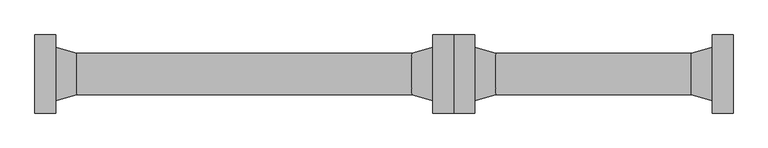
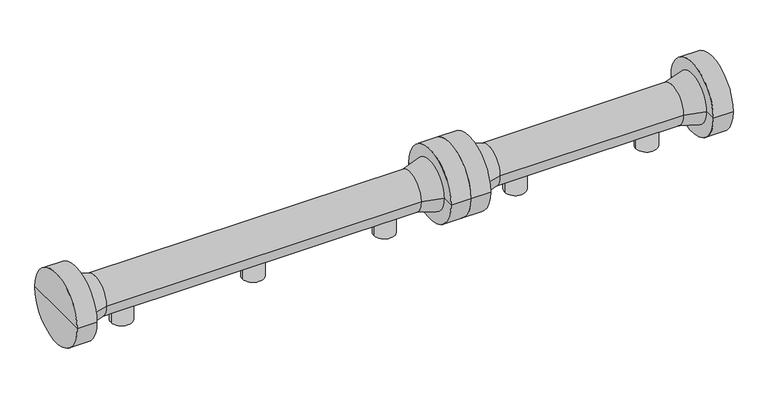
"""IFC4 building model written with IfcOpenShell, lengths in millimetres: proxy geometry."""

import ifcopenshell
import ifcopenshell.guid

model = None  # the IFC model being written
_history = None  # IfcOwnerHistory: only IFC2X3 demands one
_inside = {}  # id of a spatial element -> (the spatial element, [elements in it])
_under = {}  # id of a project, library or spatial element -> (it, [spatial elements below it])
_declared = {}  # id of a project -> (the project, [libraries it declares])
_typed = {}  # id of a type object -> (the type object, [elements of that type])
_made_of = {}  # id of a material, layer set ... -> (it, [elements and type objects made of it])


def new_model(schema):
    """Start an empty IFC model of exactly this schema.

    Asked for "IFC4X3", IfcOpenShell would pick the latest addendum, in which some entities
    have other attributes; the version numbers below select the first issue.
    IFC2X3 requires an IfcOwnerHistory on every rooted entity: one is made here for all.
    """
    global model, _history
    if schema == "IFC4X3":
        model = ifcopenshell.file(schema_version=(4, 3, 0, 0))
    else:
        model = ifcopenshell.file(schema=schema)
    _inside.clear()
    _under.clear()
    _declared.clear()
    _typed.clear()
    _made_of.clear()
    _history = None
    if model.schema == "IFC2X3":
        org = make("IfcOrganization", Name="unknown")
        user = make(
            "IfcPersonAndOrganization",
            ThePerson=make("IfcPerson", FamilyName="unknown"),
            TheOrganization=org,
        )
        app = make(
            "IfcApplication",
            ApplicationDeveloper=org,
            Version="unknown",
            ApplicationFullName="unknown",
            ApplicationIdentifier="unknown",
        )
        _history = make(
            "IfcOwnerHistory",
            OwningUser=user,
            OwningApplication=app,
            ChangeAction="ADDED",
            CreationDate=0,
        )
    return model


def make(cls, **values):
    """One entity of the class cls with the attributes given. An attribute that is None is left unset."""
    return model.create_entity(
        cls, **{name: value for name, value in values.items() if value is not None}
    )


def rooted(cls, **values):
    """An entity with a GlobalId (a new one), such as an element, a storey or a relation."""
    return make(cls, GlobalId=ifcopenshell.guid.new(), OwnerHistory=_history, **values)


def si_unit(unit_type, name, prefix=None):
    """IfcSIUnit, for example si_unit("LENGTHUNIT", "METRE", prefix="MILLI")."""
    return make("IfcSIUnit", UnitType=unit_type, Prefix=prefix, Name=name)


def assignment(units):
    """IfcUnitAssignment: the units of a project."""
    return None if units is None else make("IfcUnitAssignment", Units=units)


def point(xyz):
    """IfcCartesianPoint."""
    return None if xyz is None else make("IfcCartesianPoint", Coordinates=xyz)


def direction(xyz):
    """IfcDirection."""
    return None if xyz is None else make("IfcDirection", DirectionRatios=xyz)


def frame(location, z_axis=None, x_axis=None):
    """IfcAxis2Placement3D, a coordinate frame: its origin and axes. An axis left out is left unset."""
    return make(
        "IfcAxis2Placement3D",
        Location=point(location),
        Axis=direction(z_axis),
        RefDirection=direction(x_axis),
    )


def origin():
    """The frame at (0, 0, 0) with its axes left unset."""
    return frame((0.0, 0.0, 0.0))


def place(relative_to, where):
    """IfcLocalPlacement: puts the frame where relative to a parent placement (None: the world)."""
    return make(
        "IfcLocalPlacement", PlacementRelTo=relative_to, RelativePlacement=where
    )


def context(
    kind, dimensions, precision=None, world=None, true_north=None, identifier=None
):
    """IfcGeometricRepresentationContext, for example the 3D "Model" context."""
    return make(
        "IfcGeometricRepresentationContext",
        ContextIdentifier=identifier,
        ContextType=kind,
        CoordinateSpaceDimension=dimensions,
        Precision=precision,
        WorldCoordinateSystem=world,
        TrueNorth=true_north,
    )


def project(units=None, contexts=None):
    """IfcProject with its units and contexts."""
    return rooted(
        "IfcProject",
        Name="project",
        RepresentationContexts=contexts,
        UnitsInContext=assignment(units),
    )


def spatial(cls, under=None, at=None, **own):
    """A site, building, storey or space (cls), placed at a placement, below another one or the project."""
    s = rooted(cls, ObjectPlacement=at, **own)
    if under is not None:
        _under.setdefault(under.id(), (under, []))[1].append(s)
    return s


def polyline(points):
    """IfcPolyline through the points."""
    return make("IfcPolyline", Points=[point(p) for p in points])


def circle_curve(where, radius):
    """IfcCircle in the frame where."""
    return make("IfcCircle", Position=where, Radius=radius)


def shape(context_of_items, identifier, shape_type, items):
    """IfcShapeRepresentation: the items that make up one representation, for example the "Body"."""
    return make(
        "IfcShapeRepresentation",
        ContextOfItems=context_of_items,
        RepresentationIdentifier=identifier,
        RepresentationType=shape_type,
        Items=items,
    )


def source(mapping_origin, context_of_items, identifier, shape_type, items):
    """IfcRepresentationMap: a shape defined once, which mapped items show again and again."""
    return make(
        "IfcRepresentationMap",
        MappingOrigin=mapping_origin,
        MappedRepresentation=shape(context_of_items, identifier, shape_type, items),
    )


def transform(
    local_origin,
    x_axis=None,
    y_axis=None,
    z_axis=None,
    scale=None,
    scale2=None,
    scale3=None,
    uniform=True,
):
    """IfcCartesianTransformationOperator3D, or its non-uniform kind. x_axis, y_axis, z_axis: its Axis1, 2, 3."""
    if uniform:
        return make(
            "IfcCartesianTransformationOperator3D",
            Axis1=direction(x_axis),
            Axis2=direction(y_axis),
            LocalOrigin=point(local_origin),
            Scale=scale,
            Axis3=direction(z_axis),
        )
    return make(
        "IfcCartesianTransformationOperator3DnonUniform",
        Axis1=direction(x_axis),
        Axis2=direction(y_axis),
        LocalOrigin=point(local_origin),
        Scale=scale,
        Axis3=direction(z_axis),
        Scale2=scale2,
        Scale3=scale3,
    )


def mapped(mapping_source, mapping_target):
    """IfcMappedItem: shows the shape of a source again, moved by a transform."""
    return make(
        "IfcMappedItem", MappingSource=mapping_source, MappingTarget=mapping_target
    )


def made_of(thing, what):
    """Note that an element or type object is made of a material, layer set ...; save() writes the relation."""
    if what is not None:
        _made_of.setdefault(what.id(), (what, []))[1].append(thing)
    return thing


def element(
    cls,
    number,
    at=None,
    inside=None,
    cuts=None,
    type_object=None,
    material=None,
    context=None,
    identifier="Body",
    shape_type=None,
    held_by="IfcProductDefinitionShape",
    body=None,
    shapes=None,
    **own,
):
    """One element of the class cls, such as IfcWall. Its Tag is "e" and its number.

    at: its placement. inside: the storey or other place that contains it. cuts: it is an
    opening in that element (IfcRelVoidsElement). A single representation is given by context,
    identifier, shape_type and body (its items); several are given by shapes. held_by: the class
    of the entity that holds the representations. save() writes the other relations.
    """
    e = rooted(cls, Tag="e%d" % number, ObjectPlacement=at, **own)
    if body is not None:
        shapes = [shape(context, identifier, shape_type, body)]
    if shapes is not None:
        e.Representation = make(held_by, Representations=shapes)
    if inside is not None:
        _inside.setdefault(inside.id(), (inside, []))[1].append(e)
    if cuts is not None:
        rooted(
            "IfcRelVoidsElement", RelatingBuildingElement=cuts, RelatedOpeningElement=e
        )
    if type_object is not None:
        _typed.setdefault(type_object.id(), (type_object, []))[1].append(e)
    return made_of(e, material)


def aggregate(whole, parts):
    """IfcRelAggregates: a whole, such as a stair, and the parts it consists of."""
    return rooted("IfcRelAggregates", RelatingObject=whole, RelatedObjects=parts)


def save(model, path):
    """Write the relations noted so far, then the file.

    IfcRelAggregates (storeys below a building ...), IfcRelContainedInSpatialStructure (elements
    in a storey), IfcRelDefinesByType, IfcRelAssociatesMaterial and IfcRelDeclares: one each for
    every whole, place, type object, material and project.
    """
    for whole, parts in _under.values():
        aggregate(whole, parts)
    for where, things in _inside.values():
        rooted(
            "IfcRelContainedInSpatialStructure",
            RelatedElements=things,
            RelatingStructure=where,
        )
    for kind, things in _typed.values():
        rooted("IfcRelDefinesByType", RelatedObjects=things, RelatingType=kind)
    for what, things in _made_of.values():
        rooted("IfcRelAssociatesMaterial", RelatedObjects=things, RelatingMaterial=what)
    for by, libraries in _declared.values():
        rooted("IfcRelDeclares", RelatingContext=by, RelatedDefinitions=libraries)
    model.write(path)


def plane_surface(at):
    """IfcPlane: the flat surface through the origin of the frame at, square to its z axis."""
    return make("IfcPlane", Position=at)


def cylinder_surface(at, radius):
    """IfcCylindricalSurface: all points at the distance radius from the z axis of the frame at."""
    return make("IfcCylindricalSurface", Position=at, Radius=radius)


def revolved_surface(curve, axis_point, axis_direction):
    """IfcSurfaceOfRevolution: the curve turned about the line through axis_point along axis_direction."""
    return make(
        "IfcSurfaceOfRevolution",
        SweptCurve=make("IfcArbitraryOpenProfileDef", ProfileType="CURVE", Curve=curve),
        AxisPosition=make("IfcAxis1Placement", Location=point(axis_point), Axis=direction(axis_direction)),
    )


def advanced_brep(points, edges, surfaces, faces):
    """IfcAdvancedBrep: a solid bounded by faces that lie on surfaces and meet in shared edges.

    An edge is (start, end): straight between two places in points (the first is 0);
    or (start, end, curve); or (start, end, curve, False) where it runs against its curve.
    A face is (place in surfaces, loops), or (place, loops, False) where it looks against
    its surface's normal. A loop lists edges by number (the first is 1), with a minus sign
    where the edge is run from its end to its start. The first loop is the outer one.
    """
    corners = [point(p) for p in points]
    vertices = [make("IfcVertexPoint", VertexGeometry=c) for c in corners]
    made = []
    for start, end, *more in edges:
        made.append(
            make(
                "IfcEdgeCurve",
                EdgeStart=vertices[start],
                EdgeEnd=vertices[end],
                EdgeGeometry=more[0] if more else make("IfcPolyline", Points=[corners[start], corners[end]]),
                SameSense=more[1] if len(more) > 1 else True,
            )
        )
    hull = []
    for where, loops, *sense in faces:
        bounds = []
        for j, loop in enumerate(loops):
            ring = [make("IfcOrientedEdge", EdgeElement=made[abs(k) - 1], Orientation=k > 0) for k in loop]
            bounds.append(
                make(
                    "IfcFaceOuterBound" if j == 0 else "IfcFaceBound",
                    Bound=make("IfcEdgeLoop", EdgeList=ring),
                    Orientation=True,
                )
            )
        hull.append(make("IfcAdvancedFace", Bounds=bounds, FaceSurface=surfaces[where], SameSense=sense[0] if sense else True))
    return make("IfcAdvancedBrep", Outer=make("IfcClosedShell", CfsFaces=hull))


def specialty_equipment_d092d887(model_context):
    return source(origin(), model_context, "Body", "AdvancedBrep", [
        advanced_brep(
        [(540.0, 0.0, 0.046762), (460.0, 0.0, 0.046762), (460.0, 0.0, 85.241935), (540.0, 0.0, 85.241935), (500.0, 0.0, 0.046762), (500.0, 0.0, 85.241935)],
        [
            (0, 1, circle_curve(frame((500.0, 0.0, 0.046762), z_axis=(0.0, 0.0, 1.0), x_axis=(-1.0, 0.0, 0.0)), 40.0)),
            (1, 2),
            (2, 3, circle_curve(frame((500.0, 0.0, 85.241935), z_axis=(0.0, 0.0, -1.0), x_axis=(-1.0, 0.0, 0.0)), 40.0)),
            (3, 0),
            (1, 0, circle_curve(frame((500.0, 0.0, 0.046762), z_axis=(0.0, 0.0, 1.0), x_axis=(-1.0, 0.0, 0.0)), 40.0)),
            (3, 2, circle_curve(frame((500.0, 0.0, 85.241935), z_axis=(0.0, 0.0, -1.0), x_axis=(-1.0, 0.0, 0.0)), 40.0)),
            (4, 1),
            (0, 4),
            (2, 5),
            (5, 3),
        ],
        [
            cylinder_surface(frame((500.0, 0.0, 1119.5366778), z_axis=(0.0, 0.0, -1.0), x_axis=(-1.0, 0.0, 0.0)), 40.0),
            plane_surface(frame((500.0, 0.0, 0.046762), z_axis=(0.0, 0.0, -1.0), x_axis=(-1.0, 0.0, 0.0))),
            plane_surface(frame((500.0, 0.0, 85.241935), z_axis=(0.0, 0.0, 1.0), x_axis=(-1.0, 0.0, 0.0))),
        ],
        [
            (0, [[1, 2, 3, 4]]),
            (0, [[5, -4, 6, -2]]),
            (1, [[7, -1, 8]]),
            (1, [[-8, -5, -7]]),
            (2, [[-3, 9, 10]]),
            (2, [[-6, -10, -9]]),
        ],
    ),
        advanced_brep(
        [(1040.0, 0.0, 0.046762), (960.0, 0.0, 0.046762), (960.0, 0.0, 85.241935), (1040.0, 0.0, 85.241935), (1000.0, 0.0, 0.046762), (1000.0, 0.0, 85.241935)],
        [
            (0, 1, circle_curve(frame((1000.0, 0.0, 0.046762), z_axis=(0.0, 0.0, 1.0), x_axis=(-1.0, 0.0, 0.0)), 40.0)),
            (1, 2),
            (2, 3, circle_curve(frame((1000.0, 0.0, 85.241935), z_axis=(0.0, 0.0, -1.0), x_axis=(-1.0, 0.0, 0.0)), 40.0)),
            (3, 0),
            (1, 0, circle_curve(frame((1000.0, 0.0, 0.046762), z_axis=(0.0, 0.0, 1.0), x_axis=(-1.0, 0.0, 0.0)), 40.0)),
            (3, 2, circle_curve(frame((1000.0, 0.0, 85.241935), z_axis=(0.0, 0.0, -1.0), x_axis=(-1.0, 0.0, 0.0)), 40.0)),
            (4, 1),
            (0, 4),
            (2, 5),
            (5, 3),
        ],
        [
            cylinder_surface(frame((1000.0, 0.0, 1119.5366778), z_axis=(0.0, 0.0, -1.0), x_axis=(-1.0, 0.0, 0.0)), 40.0),
            plane_surface(frame((1000.0, 0.0, 0.046762), z_axis=(0.0, 0.0, -1.0), x_axis=(-1.0, 0.0, 0.0))),
            plane_surface(frame((1000.0, 0.0, 85.241935), z_axis=(0.0, 0.0, 1.0), x_axis=(-1.0, 0.0, 0.0))),
        ],
        [
            (0, [[1, 2, 3, 4]]),
            (0, [[5, -4, 6, -2]]),
            (1, [[7, -1, 8]]),
            (1, [[-8, -5, -7]]),
            (2, [[-3, 9, 10]]),
            (2, [[-6, -10, -9]]),
        ],
    ),
        advanced_brep(
        [(40.0, 0.0, 0.046762), (-40.0, 0.0, 0.046762), (-40.0, 0.0, 85.241935), (40.0, 0.0, 85.241935), (0.0, 0.0, 0.046762), (0.0, 0.0, 85.241935)],
        [
            (0, 1, circle_curve(frame((0.0, 0.0, 0.046762), z_axis=(0.0, 0.0, 1.0), x_axis=(-1.0, 0.0, 0.0)), 40.0)),
            (1, 2),
            (2, 3, circle_curve(frame((0.0, 0.0, 85.241935), z_axis=(0.0, 0.0, -1.0), x_axis=(-1.0, 0.0, 0.0)), 40.0)),
            (3, 0),
            (1, 0, circle_curve(frame((0.0, 0.0, 0.046762), z_axis=(0.0, 0.0, 1.0), x_axis=(-1.0, 0.0, 0.0)), 40.0)),
            (3, 2, circle_curve(frame((0.0, 0.0, 85.241935), z_axis=(0.0, 0.0, -1.0), x_axis=(-1.0, 0.0, 0.0)), 40.0)),
            (4, 1),
            (0, 4),
            (2, 5),
            (5, 3),
        ],
        [
            cylinder_surface(frame((0.0, 0.0, 1119.5366778), z_axis=(0.0, 0.0, -1.0), x_axis=(-1.0, 0.0, 0.0)), 40.0),
            plane_surface(frame((0.0, 0.0, 0.046762), z_axis=(0.0, 0.0, -1.0), x_axis=(-1.0, 0.0, 0.0))),
            plane_surface(frame((0.0, 0.0, 85.241935), z_axis=(0.0, 0.0, 1.0), x_axis=(-1.0, 0.0, 0.0))),
        ],
        [
            (0, [[1, 2, 3, 4]]),
            (0, [[5, -4, 6, -2]]),
            (1, [[7, -1, 8]]),
            (1, [[-8, -5, -7]]),
            (2, [[-3, 9, 10]]),
            (2, [[-6, -10, -9]]),
        ],
    ),
        advanced_brep(
        [(-249.0, 0.0, 131.9), (-249.0, 139.6593353, 131.9), (-249.0, -139.6593353, 131.9), (1249.0, -139.6593353, 131.9), (1249.0, 139.6593353, 131.9), (1249.0, 0.0, 131.9), (1174.0, -139.6593353, 131.9), (1174.0, 139.6593353, 131.9), (1174.0, -95.0, 131.9), (1174.0, 95.0, 131.9), (1098.8943825, -74.9718353, 131.9), (1098.8943825, 74.9718353, 131.9), (-98.8943825, -74.9718353, 131.9), (-98.8943825, 74.9718353, 131.9), (-174.0, -95.0, 131.9), (-174.0, 95.0, 131.9), (-174.0, -139.6593353, 131.9), (-174.0, 139.6593353, 131.9)],
        [
            (0, 1),
            (1, 2, circle_curve(frame((-249.0, 0.0, 131.9), z_axis=(-1.0, 0.0, 0.0), x_axis=(0.0, 1.0, 0.0)), 139.6593353)),
            (2, 0),
            (2, 1, circle_curve(frame((-249.0, 0.0, 131.9), z_axis=(-1.0, 0.0, 0.0), x_axis=(0.0, 1.0, 0.0)), 139.6593353)),
            (3, 4, circle_curve(frame((1249.0, 0.0, 131.9), z_axis=(1.0, 0.0, 0.0), x_axis=(0.0, 1.0, 0.0)), 139.6593353)),
            (4, 5),
            (5, 3),
            (4, 3, circle_curve(frame((1249.0, 0.0, 131.9), z_axis=(1.0, 0.0, 0.0), x_axis=(0.0, 1.0, 0.0)), 139.6593353)),
            (6, 7, circle_curve(frame((1174.0, 0.0, 131.9), z_axis=(1.0, 0.0, 0.0), x_axis=(0.0, 1.0, 0.0)), 139.6593353)),
            (7, 4),
            (3, 6),
            (7, 6, circle_curve(frame((1174.0, 0.0, 131.9), z_axis=(1.0, 0.0, 0.0), x_axis=(0.0, 1.0, 0.0)), 139.6593353)),
            (8, 9, circle_curve(frame((1174.0, 0.0, 131.9), z_axis=(1.0, 0.0, 0.0), x_axis=(0.0, 1.0, 0.0)), 95.0)),
            (9, 7),
            (6, 8),
            (9, 8, circle_curve(frame((1174.0, 0.0, 131.9), z_axis=(1.0, 0.0, 0.0), x_axis=(0.0, 1.0, 0.0)), 95.0)),
            (10, 11, circle_curve(frame((1098.8943825, 0.0, 131.9), z_axis=(1.0, 0.0, 0.0), x_axis=(0.0, 1.0, 0.0)), 74.9718353)),
            (11, 9),
            (8, 10),
            (11, 10, circle_curve(frame((1098.8943825, 0.0, 131.9), z_axis=(1.0, 0.0, 0.0), x_axis=(0.0, 1.0, 0.0)), 74.9718353)),
            (12, 13, circle_curve(frame((-98.8943825, 0.0, 131.9), z_axis=(1.0, 0.0, 0.0), x_axis=(0.0, 1.0, 0.0)), 74.9718353)),
            (13, 11),
            (10, 12),
            (13, 12, circle_curve(frame((-98.8943825, 0.0, 131.9), z_axis=(1.0, 0.0, 0.0), x_axis=(0.0, 1.0, 0.0)), 74.9718353)),
            (14, 15, circle_curve(frame((-174.0, 0.0, 131.9), z_axis=(1.0, 0.0, 0.0), x_axis=(0.0, 1.0, 0.0)), 95.0)),
            (15, 13),
            (12, 14),
            (15, 14, circle_curve(frame((-174.0, 0.0, 131.9), z_axis=(1.0, 0.0, 0.0), x_axis=(0.0, 1.0, 0.0)), 95.0)),
            (16, 17, circle_curve(frame((-174.0, 0.0, 131.9), z_axis=(1.0, 0.0, 0.0), x_axis=(0.0, 1.0, 0.0)), 139.6593353)),
            (17, 15),
            (14, 16),
            (17, 16, circle_curve(frame((-174.0, 0.0, 131.9), z_axis=(1.0, 0.0, 0.0), x_axis=(0.0, 1.0, 0.0)), 139.6593353)),
            (1, 17),
            (16, 2),
        ],
        [
            plane_surface(frame((-249.0, 0.0, 131.9), z_axis=(-1.0, 0.0, 0.0), x_axis=(0.0, 1.0, 0.0))),
            plane_surface(frame((1249.0, 0.0, 131.9), z_axis=(1.0, 0.0, 0.0), x_axis=(0.0, 1.0, 0.0))),
            cylinder_surface(frame((2274.0, 0.0, 131.9), z_axis=(-1.0, 0.0, 0.0), x_axis=(0.0, 1.0, 0.0)), 139.6593353),
            plane_surface(frame((1174.0, 0.0, 131.9), z_axis=(-1.0, 0.0, 0.0), x_axis=(0.0, 1.0, 0.0))),
            revolved_surface(polyline([(1174.0, 95.0, 131.9), (1098.8943825, 74.9718353, 131.9)]), (2274.0, 0.0, 131.9), (-1.0, 0.0, 0.0)),
            cylinder_surface(frame((2274.0, 0.0, 131.9), z_axis=(-1.0, 0.0, 0.0), x_axis=(0.0, 1.0, 0.0)), 74.9718353),
            revolved_surface(polyline([(-98.8943825, 74.9718353, 131.9), (-174.0, 95.0, 131.9)]), (2274.0, 0.0, 131.9), (-1.0, 0.0, 0.0)),
            plane_surface(frame((-174.0, 0.0, 131.9), z_axis=(1.0, 0.0, 0.0), x_axis=(0.0, 1.0, 0.0))),
        ],
        [
            (0, [[1, 2, 3]]),
            (0, [[-3, 4, -1]]),
            (1, [[5, 6, 7]]),
            (1, [[8, -7, -6]]),
            (2, [[9, 10, -5, 11]]),
            (2, [[12, -11, -8, -10]]),
            (3, [[13, 14, -9, 15]]),
            (3, [[16, -15, -12, -14]]),
            (4, [[17, 18, -13, 19]]),
            (4, [[20, -19, -16, -18]]),
            (5, [[21, 22, -17, 23]]),
            (5, [[24, -23, -20, -22]]),
            (6, [[25, 26, -21, 27]]),
            (6, [[28, -27, -24, -26]]),
            (7, [[29, 30, -25, 31]]),
            (7, [[32, -31, -28, -30]]),
            (2, [[-2, 33, -29, 34]]),
            (2, [[-4, -34, -32, -33]]),
        ],
    ),
        advanced_brep(
        [(2038.0, 0.0, 0.0), (1958.0, 0.0, 0.0), (1958.0, 0.0, 85.195173), (2038.0, 0.0, 85.195173), (1998.0, 0.0, 0.0), (1998.0, 0.0, 85.195173)],
        [
            (0, 1, circle_curve(frame((1998.0, 0.0, 0.0), z_axis=(0.0, 0.0, 1.0), x_axis=(-1.0, 0.0, 0.0)), 40.0)),
            (1, 2),
            (2, 3, circle_curve(frame((1998.0, 0.0, 85.195173), z_axis=(0.0, 0.0, -1.0), x_axis=(-1.0, 0.0, 0.0)), 40.0)),
            (3, 0),
            (1, 0, circle_curve(frame((1998.0, 0.0, 0.0), z_axis=(0.0, 0.0, 1.0), x_axis=(-1.0, 0.0, 0.0)), 40.0)),
            (3, 2, circle_curve(frame((1998.0, 0.0, 85.195173), z_axis=(0.0, 0.0, -1.0), x_axis=(-1.0, 0.0, 0.0)), 40.0)),
            (4, 1),
            (0, 4),
            (2, 5),
            (5, 3),
        ],
        [
            cylinder_surface(frame((1998.0, 0.0, 1119.4899158), z_axis=(0.0, 0.0, -1.0), x_axis=(-1.0, 0.0, 0.0)), 40.0),
            plane_surface(frame((1998.0, 0.0, 0.0), z_axis=(0.0, 0.0, -1.0), x_axis=(-1.0, 0.0, 0.0))),
            plane_surface(frame((1998.0, 0.0, 85.195173), z_axis=(0.0, 0.0, 1.0), x_axis=(-1.0, 0.0, 0.0))),
        ],
        [
            (0, [[1, 2, 3, 4]]),
            (0, [[5, -4, 6, -2]]),
            (1, [[7, -1, 8]]),
            (1, [[-8, -5, -7]]),
            (2, [[-3, 9, 10]]),
            (2, [[-6, -10, -9]]),
        ],
    ),
        advanced_brep(
        [(1538.0, 0.0, 0.0), (1458.0, 0.0, 0.0), (1458.0, 0.0, 85.195173), (1538.0, 0.0, 85.195173), (1498.0, 0.0, 0.0), (1498.0, 0.0, 85.195173)],
        [
            (0, 1, circle_curve(frame((1498.0, 0.0, 0.0), z_axis=(0.0, 0.0, 1.0), x_axis=(-1.0, 0.0, 0.0)), 40.0)),
            (1, 2),
            (2, 3, circle_curve(frame((1498.0, 0.0, 85.195173), z_axis=(0.0, 0.0, -1.0), x_axis=(-1.0, 0.0, 0.0)), 40.0)),
            (3, 0),
            (1, 0, circle_curve(frame((1498.0, 0.0, 0.0), z_axis=(0.0, 0.0, 1.0), x_axis=(-1.0, 0.0, 0.0)), 40.0)),
            (3, 2, circle_curve(frame((1498.0, 0.0, 85.195173), z_axis=(0.0, 0.0, -1.0), x_axis=(-1.0, 0.0, 0.0)), 40.0)),
            (4, 1),
            (0, 4),
            (2, 5),
            (5, 3),
        ],
        [
            cylinder_surface(frame((1498.0, 0.0, 1119.4899158), z_axis=(0.0, 0.0, -1.0), x_axis=(-1.0, 0.0, 0.0)), 40.0),
            plane_surface(frame((1498.0, 0.0, 0.0), z_axis=(0.0, 0.0, -1.0), x_axis=(-1.0, 0.0, 0.0))),
            plane_surface(frame((1498.0, 0.0, 85.195173), z_axis=(0.0, 0.0, 1.0), x_axis=(-1.0, 0.0, 0.0))),
        ],
        [
            (0, [[1, 2, 3, 4]]),
            (0, [[5, -4, 6, -2]]),
            (1, [[7, -1, 8]]),
            (1, [[-8, -5, -7]]),
            (2, [[-3, 9, 10]]),
            (2, [[-6, -10, -9]]),
        ],
    ),
        advanced_brep(
        [(1249.0, 0.0, 131.853238), (1249.0, 139.6593353, 131.853238), (1249.0, -139.6593353, 131.853238), (2247.0, -139.6593353, 131.853238), (2247.0, 139.6593353, 131.853238), (2247.0, 0.0, 131.853238), (2172.0, -139.6593353, 131.853238), (2172.0, 139.6593353, 131.853238), (2172.0, -95.0, 131.853238), (2172.0, 95.0, 131.853238), (2096.8943825, -74.9718353, 131.853238), (2096.8943825, 74.9718353, 131.853238), (1399.1056175, -74.9718353, 131.853238), (1399.1056175, 74.9718353, 131.853238), (1324.0, -95.0, 131.853238), (1324.0, 95.0, 131.853238), (1324.0, -139.6593353, 131.853238), (1324.0, 139.6593353, 131.853238)],
        [
            (0, 1),
            (1, 2, circle_curve(frame((1249.0, 0.0, 131.853238), z_axis=(-1.0, 0.0, 0.0), x_axis=(0.0, 1.0, 0.0)), 139.6593353)),
            (2, 0),
            (2, 1, circle_curve(frame((1249.0, 0.0, 131.853238), z_axis=(-1.0, 0.0, 0.0), x_axis=(0.0, 1.0, 0.0)), 139.6593353)),
            (3, 4, circle_curve(frame((2247.0, 0.0, 131.853238), z_axis=(1.0, 0.0, 0.0), x_axis=(0.0, 1.0, 0.0)), 139.6593353)),
            (4, 5),
            (5, 3),
            (4, 3, circle_curve(frame((2247.0, 0.0, 131.853238), z_axis=(1.0, 0.0, 0.0), x_axis=(0.0, 1.0, 0.0)), 139.6593353)),
            (6, 7, circle_curve(frame((2172.0, 0.0, 131.853238), z_axis=(1.0, 0.0, 0.0), x_axis=(0.0, 1.0, 0.0)), 139.6593353)),
            (7, 4),
            (3, 6),
            (7, 6, circle_curve(frame((2172.0, 0.0, 131.853238), z_axis=(1.0, 0.0, 0.0), x_axis=(0.0, 1.0, 0.0)), 139.6593353)),
            (8, 9, circle_curve(frame((2172.0, 0.0, 131.853238), z_axis=(1.0, 0.0, 0.0), x_axis=(0.0, 1.0, 0.0)), 95.0)),
            (9, 7),
            (6, 8),
            (9, 8, circle_curve(frame((2172.0, 0.0, 131.853238), z_axis=(1.0, 0.0, 0.0), x_axis=(0.0, 1.0, 0.0)), 95.0)),
            (10, 11, circle_curve(frame((2096.8943825, 0.0, 131.853238), z_axis=(1.0, 0.0, 0.0), x_axis=(0.0, 1.0, 0.0)), 74.9718353)),
            (11, 9),
            (8, 10),
            (11, 10, circle_curve(frame((2096.8943825, 0.0, 131.853238), z_axis=(1.0, 0.0, 0.0), x_axis=(0.0, 1.0, 0.0)), 74.9718353)),
            (12, 13, circle_curve(frame((1399.1056175, 0.0, 131.853238), z_axis=(1.0, 0.0, 0.0), x_axis=(0.0, 1.0, 0.0)), 74.9718353)),
            (13, 11),
            (10, 12),
            (13, 12, circle_curve(frame((1399.1056175, 0.0, 131.853238), z_axis=(1.0, 0.0, 0.0), x_axis=(0.0, 1.0, 0.0)), 74.9718353)),
            (14, 15, circle_curve(frame((1324.0, 0.0, 131.853238), z_axis=(1.0, 0.0, 0.0), x_axis=(0.0, 1.0, 0.0)), 95.0)),
            (15, 13),
            (12, 14),
            (15, 14, circle_curve(frame((1324.0, 0.0, 131.853238), z_axis=(1.0, 0.0, 0.0), x_axis=(0.0, 1.0, 0.0)), 95.0)),
            (16, 17, circle_curve(frame((1324.0, 0.0, 131.853238), z_axis=(1.0, 0.0, 0.0), x_axis=(0.0, 1.0, 0.0)), 139.6593353)),
            (17, 15),
            (14, 16),
            (17, 16, circle_curve(frame((1324.0, 0.0, 131.853238), z_axis=(1.0, 0.0, 0.0), x_axis=(0.0, 1.0, 0.0)), 139.6593353)),
            (1, 17),
            (16, 2),
        ],
        [
            plane_surface(frame((1249.0, 0.0, 131.853238), z_axis=(-1.0, 0.0, 0.0), x_axis=(0.0, 1.0, 0.0))),
            plane_surface(frame((2247.0, 0.0, 131.853238), z_axis=(1.0, 0.0, 0.0), x_axis=(0.0, 1.0, 0.0))),
            cylinder_surface(frame((3272.0, 0.0, 131.853238), z_axis=(-1.0, 0.0, 0.0), x_axis=(0.0, 1.0, 0.0)), 139.6593353),
            plane_surface(frame((2172.0, 0.0, 131.853238), z_axis=(-1.0, 0.0, 0.0), x_axis=(0.0, 1.0, 0.0))),
            revolved_surface(polyline([(2172.0, 95.0, 131.853238), (2096.8943825, 74.9718353, 131.853238)]), (3272.0, 0.0, 131.853238), (-1.0, 0.0, 0.0)),
            cylinder_surface(frame((3272.0, 0.0, 131.853238), z_axis=(-1.0, 0.0, 0.0), x_axis=(0.0, 1.0, 0.0)), 74.9718353),
            revolved_surface(polyline([(1399.1056175, 74.9718353, 131.853238), (1324.0, 95.0, 131.853238)]), (3272.0, 0.0, 131.853238), (-1.0, 0.0, 0.0)),
            plane_surface(frame((1324.0, 0.0, 131.853238), z_axis=(1.0, 0.0, 0.0), x_axis=(0.0, 1.0, 0.0))),
        ],
        [
            (0, [[1, 2, 3]]),
            (0, [[-3, 4, -1]]),
            (1, [[5, 6, 7]]),
            (1, [[8, -7, -6]]),
            (2, [[9, 10, -5, 11]]),
            (2, [[12, -11, -8, -10]]),
            (3, [[13, 14, -9, 15]]),
            (3, [[16, -15, -12, -14]]),
            (4, [[17, 18, -13, 19]]),
            (4, [[20, -19, -16, -18]]),
            (5, [[21, 22, -17, 23]]),
            (5, [[24, -23, -20, -22]]),
            (6, [[25, 26, -21, 27]]),
            (6, [[28, -27, -24, -26]]),
            (7, [[29, 30, -25, 31]]),
            (7, [[32, -31, -28, -30]]),
            (2, [[-2, 33, -29, 34]]),
            (2, [[-4, -34, -32, -33]]),
        ],
    ),
    ])


if __name__ == "__main__":
    model = new_model("IFC4")
    model_context = context("Model", 3, world=origin())
    ifc_project = project(units=[si_unit("LENGTHUNIT", "METRE", prefix="MILLI")], contexts=[model_context])
    site = spatial("IfcSite", under=ifc_project)
    building = spatial("IfcBuilding", under=site)
    placement = place(None, origin())
    specialty_equipment_shape = specialty_equipment_d092d887(model_context)
    element("IfcBuildingElementProxy", 1, Name="Specialty Equipment", at=placement, inside=building, context=model_context, shape_type="MappedRepresentation", body=[
        mapped(specialty_equipment_shape, transform((0.0, 0.0, 0.0), x_axis=(1.0, 0.0, 0.0), y_axis=(0.0, 1.0, 0.0), z_axis=(0.0, 0.0, 1.0))),
    ])
    save(model, "model.ifc")
